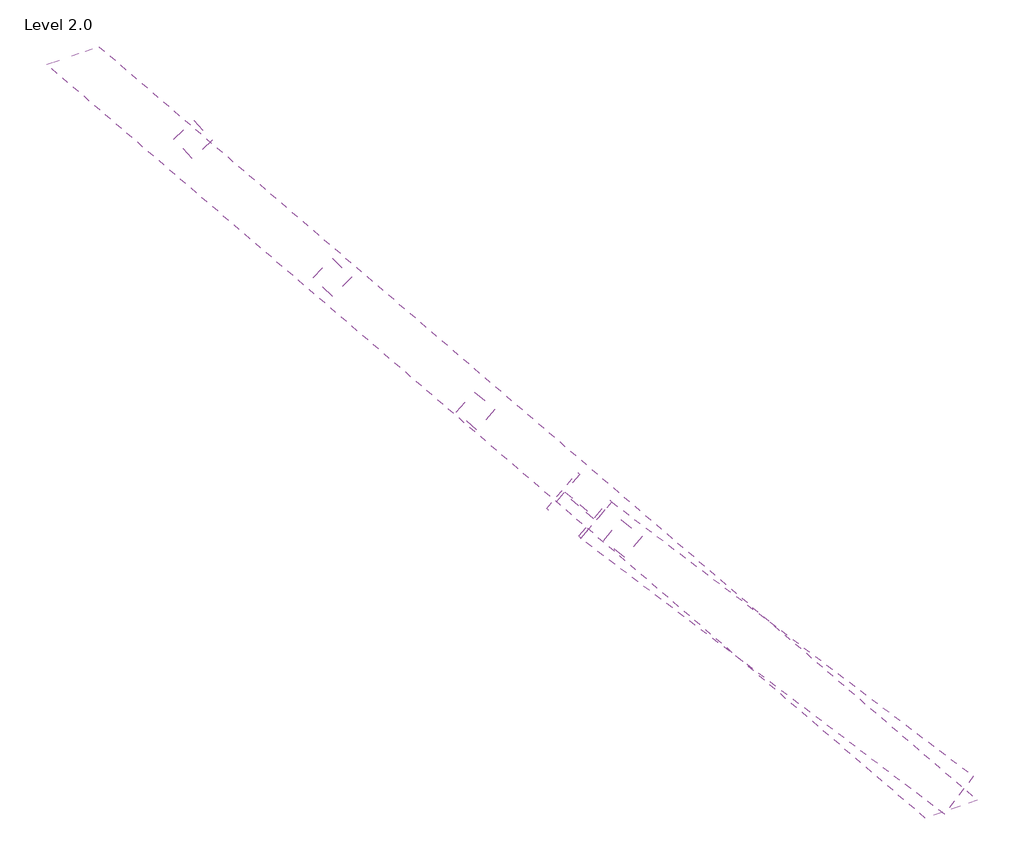
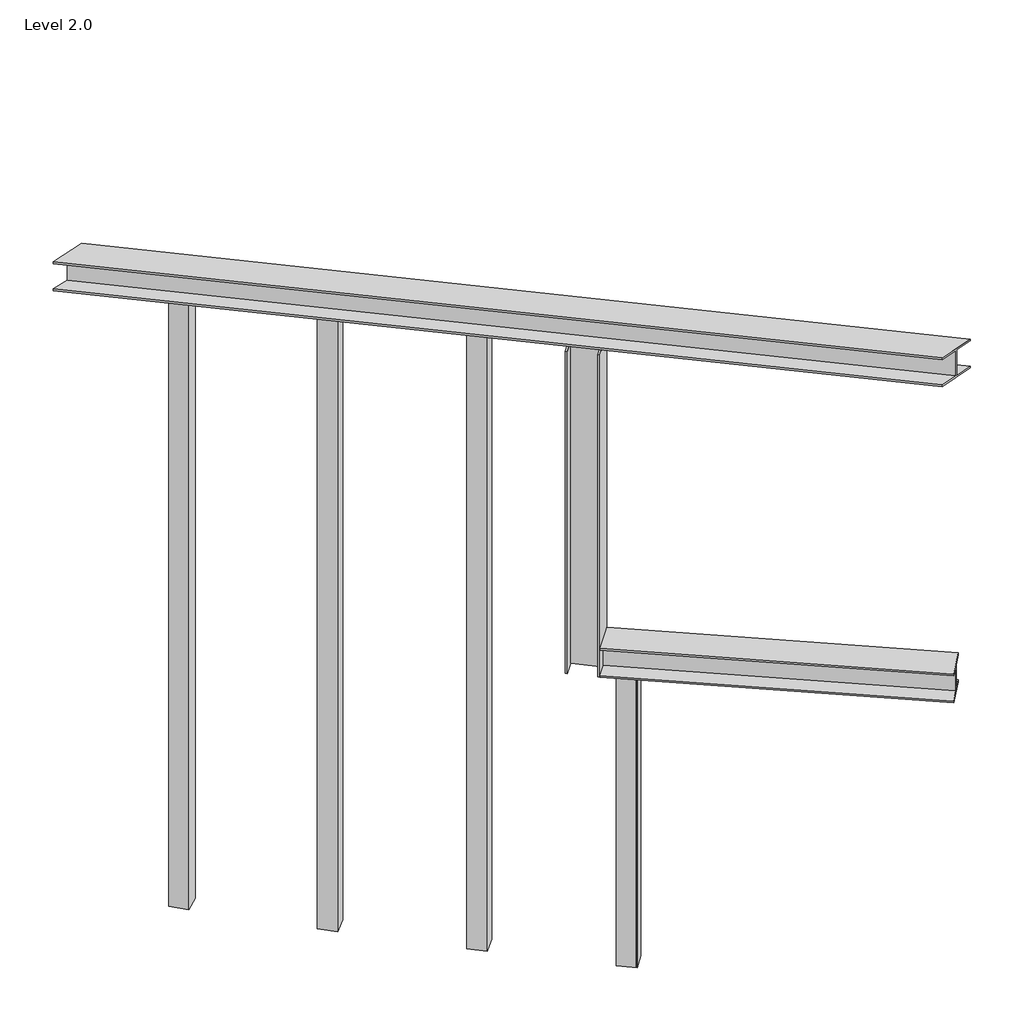
# One storey: 7 proxies.
"""IFC4 building model written with IfcOpenShell, lengths in millimetres."""

from ifc_helpers import new_model, si_unit, frame, origin, place, context, project, spatial, polyline, outline, extrude, faceted_brep, element, save

model = new_model("IFC4")

# Units and contexts
model_context = context("Model", 3, world=origin())
ifc_project = project(units=[si_unit("LENGTHUNIT", "METRE", prefix="MILLI")], contexts=[model_context])

# Site, building, storey
site = spatial("IfcSite", under=ifc_project)
building = spatial("IfcBuilding", under=site)
storey = spatial("IfcBuildingStorey", under=building, Name="Level 2.0", Elevation=23500.0)

# Proxies
placement = place(None, origin())
element("IfcBuildingElementProxy", 1, Name="Generic Models", at=placement, inside=storey, context=model_context, shape_type="SweptSolid", body=[
    extrude(outline(polyline([(-39932.2544286, -80056.319791), (-39994.1682534, -80005.6573956), (-39943.5058581, -79943.7435709), (-39881.5920333, -79994.4059662), (-39932.2544286, -80056.319791)])), frame((0.0, 0.0, 27140.0), z_axis=(0.0, 0.0, 1.0), x_axis=(1.0, 0.0, 0.0)), (0.0, 0.0, 1.0), 1345.36),
    extrude(outline(polyline([(-39943.0839295, -79947.9651791), (-39885.8136415, -79994.8278948), (-39932.6763572, -80052.0981827), (-39989.9466451, -80005.235467), (-39943.0839295, -79947.9651791)])), frame((0.0, 0.0, 27140.0), z_axis=(0.0, 0.0, 1.0), x_axis=(1.0, 0.0, 0.0)), (0.0, 0.0, 1.0), 1345.36),
])
element("IfcBuildingElementProxy", 2, Name="Generic Models", at=placement, inside=storey, context=model_context, shape_type="SweptSolid", body=[
    extrude(outline(polyline([(-40367.035143, -79681.2716027), (-40427.2168127, -79628.5632862), (-40374.5084962, -79568.3816165), (-40314.3268265, -79621.089933), (-40367.035143, -79681.2716027)])), frame((0.0, 0.0, 27140.0), z_axis=(0.0, 0.0, 1.0), x_axis=(1.0, 0.0, 0.0)), (0.0, 0.0, 1.0), 2827.0),
    extrude(outline(polyline([(-40374.2282454, -79572.614991), (-40318.5602009, -79621.3701838), (-40367.3153937, -79677.0382283), (-40422.9834382, -79628.2830355), (-40374.2282454, -79572.614991)])), frame((0.0, 0.0, 27140.0), z_axis=(0.0, 0.0, 1.0), x_axis=(1.0, 0.0, 0.0)), (0.0, 0.0, 1.0), 2827.0),
])
element("IfcBuildingElementProxy", 3, Name="Generic Models", at=placement, inside=storey, context=model_context, shape_type="SweptSolid", body=[
    extrude(outline(polyline([(-40791.2104198, -79287.9828531), (-40848.6774987, -79232.3273516), (-40793.0219973, -79174.8602727), (-40735.5549184, -79230.5157742), (-40791.2104198, -79287.9828531)])), frame((0.0, 0.0, 27140.0), z_axis=(0.0, 0.0, 1.0), x_axis=(1.0, 0.0, 0.0)), (0.0, 0.0, 1.0), 2827.0),
    extrude(outline(polyline([(-40792.9540631, -79179.1023695), (-40739.7970151, -79230.5837083), (-40791.278354, -79283.7407563), (-40844.435402, -79232.2594175), (-40792.9540631, -79179.1023695)])), frame((0.0, 0.0, 27140.0), z_axis=(0.0, 0.0, 1.0), x_axis=(1.0, 0.0, 0.0)), (0.0, 0.0, 1.0), 2827.0),
])
element("IfcBuildingElementProxy", 4, Name="Generic Models", at=placement, inside=storey, context=model_context, shape_type="SweptSolid", body=[
    extrude(outline(polyline([(-41203.8437092, -78882.9064466), (-41258.4520366, -78824.4433763), (-41199.9889663, -78769.8350489), (-41145.380639, -78828.2981192), (-41203.8437092, -78882.9064466)])), frame((0.0, 0.0, 27140.0), z_axis=(0.0, 0.0, 1.0), x_axis=(1.0, 0.0, 0.0)), (0.0, 0.0, 1.0), 2827.0),
    extrude(outline(polyline([(-41200.1335192, -78774.0752264), (-41149.6208164, -78828.1535663), (-41203.6991563, -78878.6662691), (-41254.2118592, -78824.5879292), (-41200.1335192, -78774.0752264)])), frame((0.0, 0.0, 27140.0), z_axis=(0.0, 0.0, 1.0), x_axis=(1.0, 0.0, 0.0)), (0.0, 0.0, 1.0), 2827.0),
])
element("IfcBuildingElementProxy", 5, Name="Generic Models", at=placement, inside=storey, context=model_context, shape_type="Brep", body=[
    faceted_brep([(-38895.1907592, -80770.4537713, 29967.0), (-38895.1907592, -80770.4537713, 29975.5), (-38968.8952547, -80795.8152011, 29975.5), (-38968.8952547, -80795.8152011, 30091.5), (-38895.1907592, -80770.4537713, 30091.5), (-38895.1907592, -80770.4537713, 30100.0), (-39048.6276271, -80823.2508, 30100.0), (-39048.6276271, -80823.2508, 30091.5), (-38974.9231316, -80797.8893701, 30091.5), (-38974.9231316, -80797.8893701, 29975.5), (-39048.6276271, -80823.2508, 29975.5), (-39048.6276271, -80823.2508, 29967.0), (-41558.6094274, -78580.1260742, 29975.5), (-41558.6094274, -78580.1260742, 30091.5), (-41632.6498947, -78605.1991155, 30091.5), (-41632.6498947, -78605.1991155, 30100.0), (-41478.5136062, -78553.0024497, 30100.0), (-41478.5136062, -78553.0024497, 30091.5), (-41552.5540735, -78578.075491, 30091.5), (-41552.5540735, -78578.075491, 29975.5), (-41478.5136062, -78553.0024497, 29975.5), (-41478.5136062, -78553.0024497, 29967.0), (-41632.6498947, -78605.1991155, 29967.0), (-41632.6498947, -78605.1991155, 29975.5)], [[[0, 1, 2, 3, 4, 5, 6, 7, 8, 9, 10, 11]], [[12, 13, 14, 15, 16, 17, 18, 19, 20, 21, 22, 23]], [[0, 11, 22, 21]], [[1, 0, 21, 20]], [[2, 1, 20, 19]], [[3, 2, 19, 18]], [[4, 3, 18, 17]], [[5, 4, 17, 16]], [[6, 5, 16, 15]], [[7, 6, 15, 14]], [[8, 7, 14, 13]], [[9, 8, 13, 12]], [[10, 9, 12, 23]], [[11, 10, 23, 22]]]),
])
element("IfcBuildingElementProxy", 6, Name="Generic Models", at=placement, inside=storey, context=model_context, shape_type="Brep", body=[
    faceted_brep([(-38907.3710327, -80699.8066762, 28485.3556948), (-38907.3710136, -80699.8066907, 28493.8556948), (-38948.0125169, -80753.3868242, 28493.855695), (-38948.0122561, -80753.3870217, 28609.855695), (-38907.3707528, -80699.8068882, 28609.8556948), (-38907.3707336, -80699.8069027, 28618.3556948), (-38991.9775807, -80811.3491881, 28618.3556952), (-38991.9775998, -80811.3491736, 28609.8556952), (-38951.3360965, -80757.7690401, 28609.855695), (-38951.3363574, -80757.7688426, 28493.855695), (-38991.9778607, -80811.3489761, 28493.8556952), (-38991.9778798, -80811.3489616, 28485.3556952), (-40018.0889244, -79948.6176672, 28493.8594718), (-40018.0889248, -79948.6176666, 28609.8594718), (-40061.9108071, -79999.7854249, 28609.8594832), (-40061.9108071, -79999.7854249, 28618.3594832), (-39970.6830968, -79893.2651844, 28618.3594594), (-39970.6830968, -79893.2651845, 28609.8594594), (-40014.5049791, -79944.4329428, 28609.8594708), (-40014.5049786, -79944.4329435, 28493.8594708), (-39970.6830963, -79893.2651851, 28493.8594594), (-39970.6830963, -79893.2651852, 28485.3594594), (-40061.9108066, -79999.7854257, 28485.3594832), (-40061.9108067, -79999.7854256, 28493.8594832)], [[[0, 1, 2, 3, 4, 5, 6, 7, 8, 9, 10, 11]], [[12, 13, 14, 15, 16, 17, 18, 19, 20, 21, 22, 23]], [[0, 11, 22, 21]], [[1, 0, 21, 20]], [[2, 1, 20, 19]], [[3, 2, 19, 18]], [[4, 3, 18, 17]], [[5, 4, 17, 16]], [[6, 5, 16, 15]], [[7, 6, 15, 14]], [[8, 7, 14, 13]], [[9, 8, 13, 12]], [[10, 9, 12, 23]], [[11, 10, 23, 22]]]),
])
element("IfcBuildingElementProxy", 7, Name="Generic Models", at=placement, inside=storey, context=model_context, shape_type="SweptSolid", body=[
    extrude(outline(polyline([(-40023.9058477, -79942.3424413), (-40112.010402, -79866.8865767), (-40155.7552891, -79917.9644325), (-40162.2112262, -79912.435339), (-40071.1438034, -79806.1022562), (-40064.6878662, -79811.6313497), (-40108.4327533, -79862.7092056), (-40020.328199, -79938.1650702), (-39976.5833119, -79887.0872144), (-39970.1273748, -79892.6163079), (-40061.1947976, -79998.9493907), (-40067.6507348, -79993.4202972), (-40023.9058477, -79942.3424413)])), frame((0.0, 0.0, 28486.412507), z_axis=(0.0, 0.0, 1.0), x_axis=(1.0, 0.0, 0.0)), (0.0, 0.0, 1.0), 1480.589385),
])

save(model, "model.ifc")
